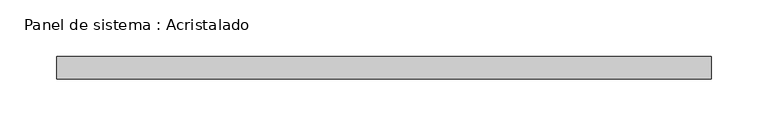
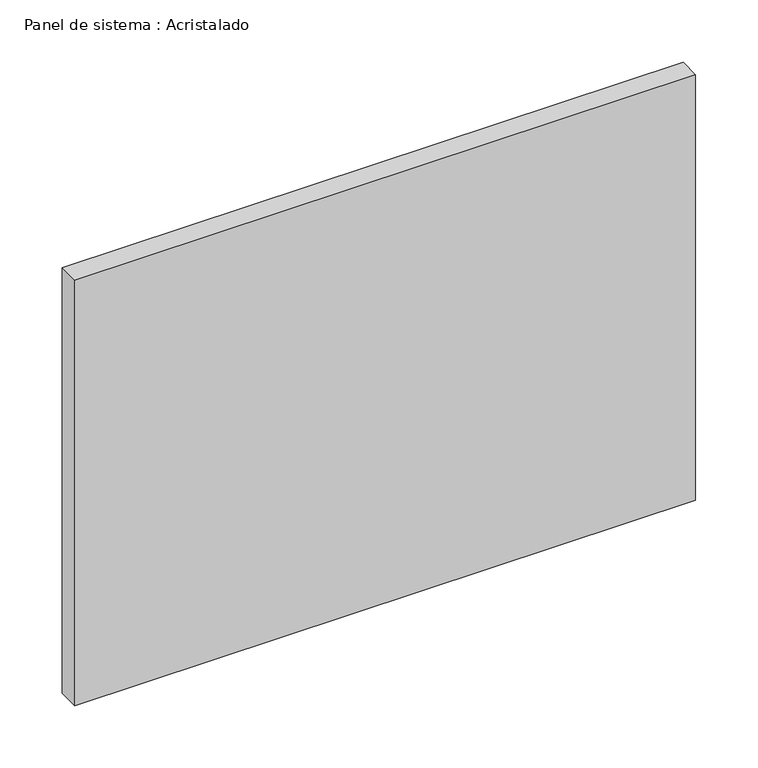
"""IFC4 building model written with IfcOpenShell, lengths in millimetres: plate geometry, Panel de sistema : Acristalado."""

from ifc_helpers import new_model, si_unit, origin, origin_with_axes, place, context, project, spatial, polyline, outline, extrude, source, transform, mapped, element, save


def panel_de_sistema_acristalado_95c42edc(model_context):
    return source(origin(), model_context, "Body", "SweptSolid", [
        extrude(outline(polyline([(288.5, -10.0), (-288.5, -10.0), (-288.5, 10.0), (288.5, 10.0), (288.5, -10.0)])), origin_with_axes(), (0.0, 0.0, 1.0), 417.7452144),
    ])


if __name__ == "__main__":
    model = new_model("IFC4")
    model_context = context("Model", 3, world=origin())
    ifc_project = project(units=[si_unit("LENGTHUNIT", "METRE", prefix="MILLI")], contexts=[model_context])
    site = spatial("IfcSite", under=ifc_project)
    building = spatial("IfcBuilding", under=site)
    placement = place(None, origin())
    panel_de_sistema_acristalado_shape = panel_de_sistema_acristalado_95c42edc(model_context)
    element("IfcPlate", 1, ObjectType="Panel de sistema : Acristalado", at=placement, inside=building, context=model_context, shape_type="MappedRepresentation", body=[
        mapped(panel_de_sistema_acristalado_shape, transform((0.0, 0.0, 0.0), x_axis=(1.0, 0.0, 0.0), y_axis=(0.0, 1.0, 0.0), z_axis=(0.0, 0.0, 1.0))),
    ])
    save(model, "model.ifc")
